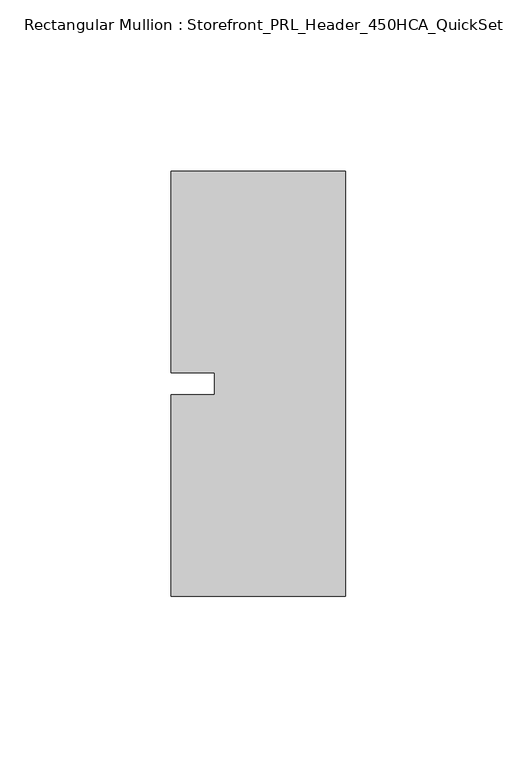
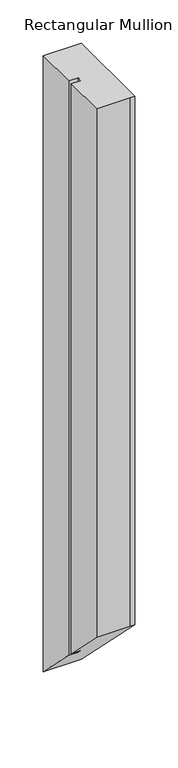
"""IFC4 building model written with IfcOpenShell, lengths in millimetres: member geometry, Rectangular Mullion : Storefront_PRL_Header_450HCA_QuickSet."""

from ifc_helpers import new_model, si_unit, origin, place, context, project, spatial, faceted_brep, source, transform, mapped, element, save


def rectangular_mullion_storefront_prl_header_450hca_quickset_e3fb5da6(model_context):
    return source(origin(), model_context, "Body", "Brep", [
        faceted_brep([(-38.1, -3.175, 0.0), (-50.8, -3.175, 0.0), (-50.8, -61.9125, 0.0), (-6.35, -61.9125, 0.0), (0.0, -61.9125, 0.0), (0.0, 61.9125, 0.0), (-7.7254924, 61.9125, 0.0), (-50.8, 61.9125, 0.0), (-50.8, 3.175, 0.0), (-38.1, 3.175, 0.0), (-38.1, -3.175, -805.3916667), (-50.8, -3.175, -805.3916667), (-50.8, -61.9125, -746.6541667), (-6.35, -61.9125, -746.6541667), (0.0, -61.9125, -746.6541667), (0.0, 61.9125, -870.4791667), (-7.7254924, 61.9125, -870.4791667), (-50.8, 61.9125, -870.4791667), (-50.8, 3.175, -811.7416667), (-38.1, 3.175, -811.7416667)], [[[0, 1, 2, 3, 4, 5, 6, 7, 8, 9]], [[1, 0, 10, 11]], [[2, 1, 11, 12]], [[3, 2, 12, 13]], [[4, 3, 13, 14]], [[5, 4, 14, 15]], [[6, 5, 15, 16]], [[7, 6, 16, 17]], [[8, 7, 17, 18]], [[9, 8, 18, 19]], [[0, 9, 19, 10]], [[10, 19, 18, 17, 16, 15, 14, 13, 12, 11]]]),
    ])


if __name__ == "__main__":
    model = new_model("IFC4")
    model_context = context("Model", 3, world=origin())
    ifc_project = project(units=[si_unit("LENGTHUNIT", "METRE", prefix="MILLI")], contexts=[model_context])
    site = spatial("IfcSite", under=ifc_project)
    building = spatial("IfcBuilding", under=site)
    placement = place(None, origin())
    rectangular_mullion_storefront_prl_header_450hca_quickset_shape = rectangular_mullion_storefront_prl_header_450hca_quickset_e3fb5da6(model_context)
    element("IfcMember", 1, ObjectType="Rectangular Mullion : Storefront_PRL_Header_450HCA_QuickSet", at=placement, inside=building, context=model_context, shape_type="MappedRepresentation", body=[
        mapped(rectangular_mullion_storefront_prl_header_450hca_quickset_shape, transform((0.0, 0.0, 0.0), x_axis=(1.0, 0.0, 0.0), y_axis=(0.0, 1.0, 0.0), z_axis=(0.0, 0.0, 1.0))),
    ])
    save(model, "model.ifc")
